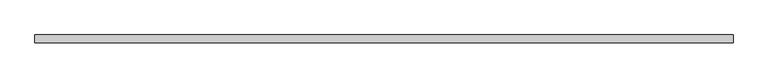
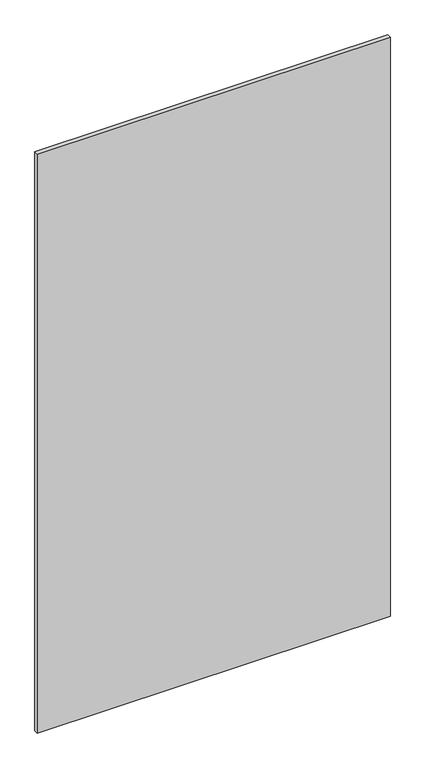
"""IFC4 building model written with IfcOpenShell, lengths in millimetres: plate geometry."""

from ifc_helpers import new_model, si_unit, origin, origin_with_axes, place, context, project, spatial, polyline, outline, extrude, source, transform, mapped, element, save


def plate_22b633dd(model_context):
    return source(origin(), model_context, "Body", "SweptSolid", [
        extrude(outline(polyline([(625.0, -64.0), (-625.0, -64.0), (-625.0, -50.0), (625.0, -50.0), (625.0, -64.0)])), origin_with_axes(), (0.0, 0.0, 1.0), 2165.0),
    ])


if __name__ == "__main__":
    model = new_model("IFC4")
    model_context = context("Model", 3, world=origin())
    ifc_project = project(units=[si_unit("LENGTHUNIT", "METRE", prefix="MILLI")], contexts=[model_context])
    site = spatial("IfcSite", under=ifc_project)
    building = spatial("IfcBuilding", under=site)
    placement = place(None, origin())
    plate_shape = plate_22b633dd(model_context)
    element("IfcPlate", 1, at=placement, inside=building, context=model_context, shape_type="MappedRepresentation", body=[
        mapped(plate_shape, transform((0.0, 0.0, 0.0), x_axis=(1.0, 0.0, 0.0), y_axis=(0.0, 1.0, 0.0), z_axis=(0.0, 0.0, 1.0))),
    ])
    save(model, "model.ifc")
